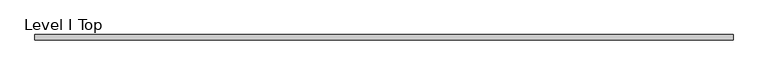
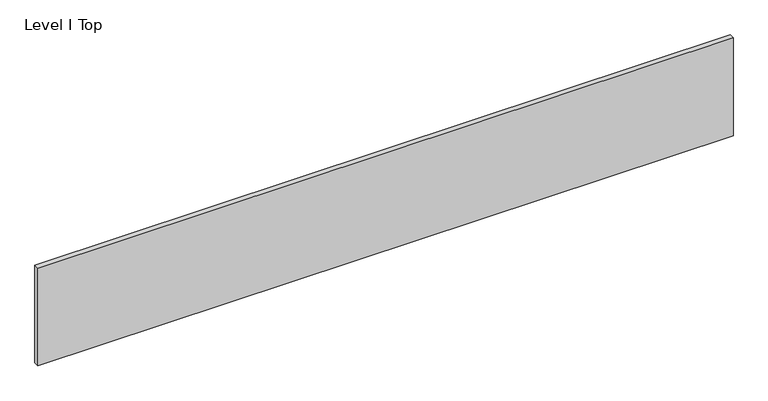
"""IFC4 building model written with IfcOpenShell, lengths in millimetres: proxy geometry, Level I Top."""

import ifcopenshell
import ifcopenshell.guid

model = None  # the IFC model being written
_history = None  # IfcOwnerHistory: only IFC2X3 demands one
_inside = {}  # id of a spatial element -> (the spatial element, [elements in it])
_under = {}  # id of a project, library or spatial element -> (it, [spatial elements below it])
_declared = {}  # id of a project -> (the project, [libraries it declares])
_typed = {}  # id of a type object -> (the type object, [elements of that type])
_made_of = {}  # id of a material, layer set ... -> (it, [elements and type objects made of it])


def new_model(schema):
    """Start an empty IFC model of exactly this schema.

    Asked for "IFC4X3", IfcOpenShell would pick the latest addendum, in which some entities
    have other attributes; the version numbers below select the first issue.
    IFC2X3 requires an IfcOwnerHistory on every rooted entity: one is made here for all.
    """
    global model, _history
    if schema == "IFC4X3":
        model = ifcopenshell.file(schema_version=(4, 3, 0, 0))
    else:
        model = ifcopenshell.file(schema=schema)
    _inside.clear()
    _under.clear()
    _declared.clear()
    _typed.clear()
    _made_of.clear()
    _history = None
    if model.schema == "IFC2X3":
        org = make("IfcOrganization", Name="unknown")
        user = make(
            "IfcPersonAndOrganization",
            ThePerson=make("IfcPerson", FamilyName="unknown"),
            TheOrganization=org,
        )
        app = make(
            "IfcApplication",
            ApplicationDeveloper=org,
            Version="unknown",
            ApplicationFullName="unknown",
            ApplicationIdentifier="unknown",
        )
        _history = make(
            "IfcOwnerHistory",
            OwningUser=user,
            OwningApplication=app,
            ChangeAction="ADDED",
            CreationDate=0,
        )
    return model


def make(cls, **values):
    """One entity of the class cls with the attributes given. An attribute that is None is left unset."""
    return model.create_entity(
        cls, **{name: value for name, value in values.items() if value is not None}
    )


def rooted(cls, **values):
    """An entity with a GlobalId (a new one), such as an element, a storey or a relation."""
    return make(cls, GlobalId=ifcopenshell.guid.new(), OwnerHistory=_history, **values)


def si_unit(unit_type, name, prefix=None):
    """IfcSIUnit, for example si_unit("LENGTHUNIT", "METRE", prefix="MILLI")."""
    return make("IfcSIUnit", UnitType=unit_type, Prefix=prefix, Name=name)


def assignment(units):
    """IfcUnitAssignment: the units of a project."""
    return None if units is None else make("IfcUnitAssignment", Units=units)


def point(xyz):
    """IfcCartesianPoint."""
    return None if xyz is None else make("IfcCartesianPoint", Coordinates=xyz)


def direction(xyz):
    """IfcDirection."""
    return None if xyz is None else make("IfcDirection", DirectionRatios=xyz)


def frame(location, z_axis=None, x_axis=None):
    """IfcAxis2Placement3D, a coordinate frame: its origin and axes. An axis left out is left unset."""
    return make(
        "IfcAxis2Placement3D",
        Location=point(location),
        Axis=direction(z_axis),
        RefDirection=direction(x_axis),
    )


def origin():
    """The frame at (0, 0, 0) with its axes left unset."""
    return frame((0.0, 0.0, 0.0))


def place(relative_to, where):
    """IfcLocalPlacement: puts the frame where relative to a parent placement (None: the world)."""
    return make(
        "IfcLocalPlacement", PlacementRelTo=relative_to, RelativePlacement=where
    )


def context(
    kind, dimensions, precision=None, world=None, true_north=None, identifier=None
):
    """IfcGeometricRepresentationContext, for example the 3D "Model" context."""
    return make(
        "IfcGeometricRepresentationContext",
        ContextIdentifier=identifier,
        ContextType=kind,
        CoordinateSpaceDimension=dimensions,
        Precision=precision,
        WorldCoordinateSystem=world,
        TrueNorth=true_north,
    )


def project(units=None, contexts=None):
    """IfcProject with its units and contexts."""
    return rooted(
        "IfcProject",
        Name="project",
        RepresentationContexts=contexts,
        UnitsInContext=assignment(units),
    )


def spatial(cls, under=None, at=None, **own):
    """A site, building, storey or space (cls), placed at a placement, below another one or the project."""
    s = rooted(cls, ObjectPlacement=at, **own)
    if under is not None:
        _under.setdefault(under.id(), (under, []))[1].append(s)
    return s


def polyline(points):
    """IfcPolyline through the points."""
    return make("IfcPolyline", Points=[point(p) for p in points])


def outline(outer, holes=None, kind="AREA"):
    """IfcArbitraryClosedProfileDef: a profile drawn as a closed curve; with holes, ...WithVoids."""
    if holes is None:
        return make("IfcArbitraryClosedProfileDef", ProfileType=kind, OuterCurve=outer)
    return make(
        "IfcArbitraryProfileDefWithVoids",
        ProfileType=kind,
        OuterCurve=outer,
        InnerCurves=holes,
    )


def extrude(swept, where, along, depth):
    """IfcExtrudedAreaSolid: the profile swept, set in the frame where, extruded along a direction by depth."""
    return make(
        "IfcExtrudedAreaSolid",
        SweptArea=swept,
        Position=where,
        ExtrudedDirection=direction(along),
        Depth=depth,
    )


def shape(context_of_items, identifier, shape_type, items):
    """IfcShapeRepresentation: the items that make up one representation, for example the "Body"."""
    return make(
        "IfcShapeRepresentation",
        ContextOfItems=context_of_items,
        RepresentationIdentifier=identifier,
        RepresentationType=shape_type,
        Items=items,
    )


def source(mapping_origin, context_of_items, identifier, shape_type, items):
    """IfcRepresentationMap: a shape defined once, which mapped items show again and again."""
    return make(
        "IfcRepresentationMap",
        MappingOrigin=mapping_origin,
        MappedRepresentation=shape(context_of_items, identifier, shape_type, items),
    )


def transform(
    local_origin,
    x_axis=None,
    y_axis=None,
    z_axis=None,
    scale=None,
    scale2=None,
    scale3=None,
    uniform=True,
):
    """IfcCartesianTransformationOperator3D, or its non-uniform kind. x_axis, y_axis, z_axis: its Axis1, 2, 3."""
    if uniform:
        return make(
            "IfcCartesianTransformationOperator3D",
            Axis1=direction(x_axis),
            Axis2=direction(y_axis),
            LocalOrigin=point(local_origin),
            Scale=scale,
            Axis3=direction(z_axis),
        )
    return make(
        "IfcCartesianTransformationOperator3DnonUniform",
        Axis1=direction(x_axis),
        Axis2=direction(y_axis),
        LocalOrigin=point(local_origin),
        Scale=scale,
        Axis3=direction(z_axis),
        Scale2=scale2,
        Scale3=scale3,
    )


def mapped(mapping_source, mapping_target):
    """IfcMappedItem: shows the shape of a source again, moved by a transform."""
    return make(
        "IfcMappedItem", MappingSource=mapping_source, MappingTarget=mapping_target
    )


def made_of(thing, what):
    """Note that an element or type object is made of a material, layer set ...; save() writes the relation."""
    if what is not None:
        _made_of.setdefault(what.id(), (what, []))[1].append(thing)
    return thing


def element(
    cls,
    number,
    at=None,
    inside=None,
    cuts=None,
    type_object=None,
    material=None,
    context=None,
    identifier="Body",
    shape_type=None,
    held_by="IfcProductDefinitionShape",
    body=None,
    shapes=None,
    **own,
):
    """One element of the class cls, such as IfcWall. Its Tag is "e" and its number.

    at: its placement. inside: the storey or other place that contains it. cuts: it is an
    opening in that element (IfcRelVoidsElement). A single representation is given by context,
    identifier, shape_type and body (its items); several are given by shapes. held_by: the class
    of the entity that holds the representations. save() writes the other relations.
    """
    e = rooted(cls, Tag="e%d" % number, ObjectPlacement=at, **own)
    if body is not None:
        shapes = [shape(context, identifier, shape_type, body)]
    if shapes is not None:
        e.Representation = make(held_by, Representations=shapes)
    if inside is not None:
        _inside.setdefault(inside.id(), (inside, []))[1].append(e)
    if cuts is not None:
        rooted(
            "IfcRelVoidsElement", RelatingBuildingElement=cuts, RelatedOpeningElement=e
        )
    if type_object is not None:
        _typed.setdefault(type_object.id(), (type_object, []))[1].append(e)
    return made_of(e, material)


def aggregate(whole, parts):
    """IfcRelAggregates: a whole, such as a stair, and the parts it consists of."""
    return rooted("IfcRelAggregates", RelatingObject=whole, RelatedObjects=parts)


def save(model, path):
    """Write the relations noted so far, then the file.

    IfcRelAggregates (storeys below a building ...), IfcRelContainedInSpatialStructure (elements
    in a storey), IfcRelDefinesByType, IfcRelAssociatesMaterial and IfcRelDeclares: one each for
    every whole, place, type object, material and project.
    """
    for whole, parts in _under.values():
        aggregate(whole, parts)
    for where, things in _inside.values():
        rooted(
            "IfcRelContainedInSpatialStructure",
            RelatedElements=things,
            RelatingStructure=where,
        )
    for kind, things in _typed.values():
        rooted("IfcRelDefinesByType", RelatedObjects=things, RelatingType=kind)
    for what, things in _made_of.values():
        rooted("IfcRelAssociatesMaterial", RelatedObjects=things, RelatingMaterial=what)
    for by, libraries in _declared.values():
        rooted("IfcRelDeclares", RelatingContext=by, RelatedDefinitions=libraries)
    model.write(path)


def level_i_top_2ca9f02e(model_context):
    return source(origin(), model_context, "Body", "SweptSolid", [
        extrude(outline(polyline([(1259.8356344, 9.525), (1259.8356344, -9.525), (-1259.8356344, -9.525), (-1259.8356344, 9.525), (1259.8356344, 9.525)])), frame((0.0, 0.0, 3.175), z_axis=(0.0, 0.0, 1.0), x_axis=(1.0, 0.0, 0.0)), (0.0, 0.0, 1.0), 374.65),
    ])


if __name__ == "__main__":
    model = new_model("IFC4")
    model_context = context("Model", 3, world=origin())
    ifc_project = project(units=[si_unit("LENGTHUNIT", "METRE", prefix="MILLI")], contexts=[model_context])
    site = spatial("IfcSite", under=ifc_project)
    building = spatial("IfcBuilding", under=site)
    placement = place(None, origin())
    level_i_top_shape = level_i_top_2ca9f02e(model_context)
    element("IfcBuildingElementProxy", 1, Name="Level I Top", ObjectType="Level I Top", at=placement, inside=building, context=model_context, shape_type="MappedRepresentation", body=[
        mapped(level_i_top_shape, transform((0.0, 0.0, 0.0), x_axis=(1.0, 0.0, 0.0), y_axis=(0.0, 1.0, 0.0), z_axis=(0.0, 0.0, 1.0))),
    ])
    save(model, "model.ifc")
